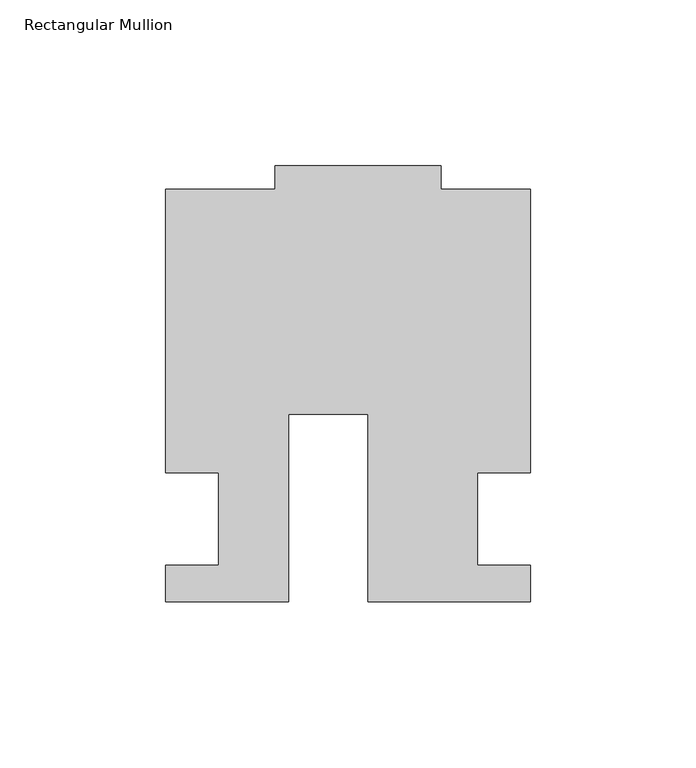
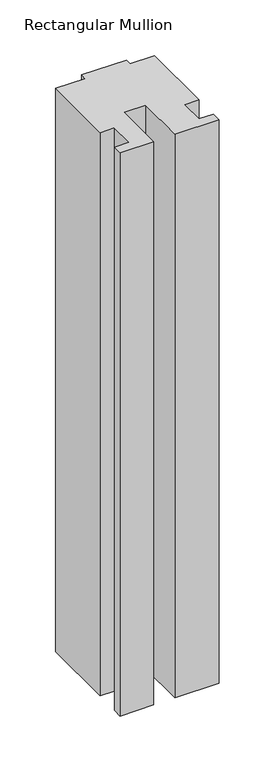
"""IFC4 building model written with IfcOpenShell, lengths in millimetres: member geometry, Rectangular Mullion."""

from ifc_helpers import new_model, si_unit, frame, origin, place, context, project, spatial, polyline, outline, extrude, source, transform, mapped, element, save


def rectangular_mullion_18e60f55(model_context):
    return source(origin(), model_context, "Body", "SweptSolid", [
        extrude(outline(polyline([(-24.0309529, -25.0), (-61.0409135, -25.0), (-61.0409135, -14.0), (-44.9971154, -14.0), (-44.9971154, 14.0), (-60.9971154, 14.0), (-60.9971154, 99.4999439), (-27.9971154, 99.4999439), (-27.9971154, 106.5), (22.0028846, 106.5), (22.0028846, 99.5), (49.0, 99.5), (49.0, 14.0), (32.9971154, 14.0), (32.9971154, -14.0), (49.0, -14.0), (49.0, -25.0), (0.0, -25.0), (0.0, 31.6008577), (-24.0309529, 31.6008577), (-24.0309529, -25.0)])), frame((0.0, 0.0, -661.5615776), z_axis=(0.0, 0.0, 1.0), x_axis=(1.0, 0.0, 0.0)), (0.0, 0.0, 1.0), 661.5615776),
    ])


if __name__ == "__main__":
    model = new_model("IFC4")
    model_context = context("Model", 3, world=origin())
    ifc_project = project(units=[si_unit("LENGTHUNIT", "METRE", prefix="MILLI")], contexts=[model_context])
    site = spatial("IfcSite", under=ifc_project)
    building = spatial("IfcBuilding", under=site)
    placement = place(None, origin())
    rectangular_mullion_shape = rectangular_mullion_18e60f55(model_context)
    element("IfcMember", 1, ObjectType="Rectangular Mullion", at=placement, inside=building, context=model_context, shape_type="MappedRepresentation", body=[
        mapped(rectangular_mullion_shape, transform((0.0, 0.0, 0.0), x_axis=(1.0, 0.0, 0.0), y_axis=(0.0, 1.0, 0.0), z_axis=(0.0, 0.0, 1.0))),
    ])
    save(model, "model.ifc")
